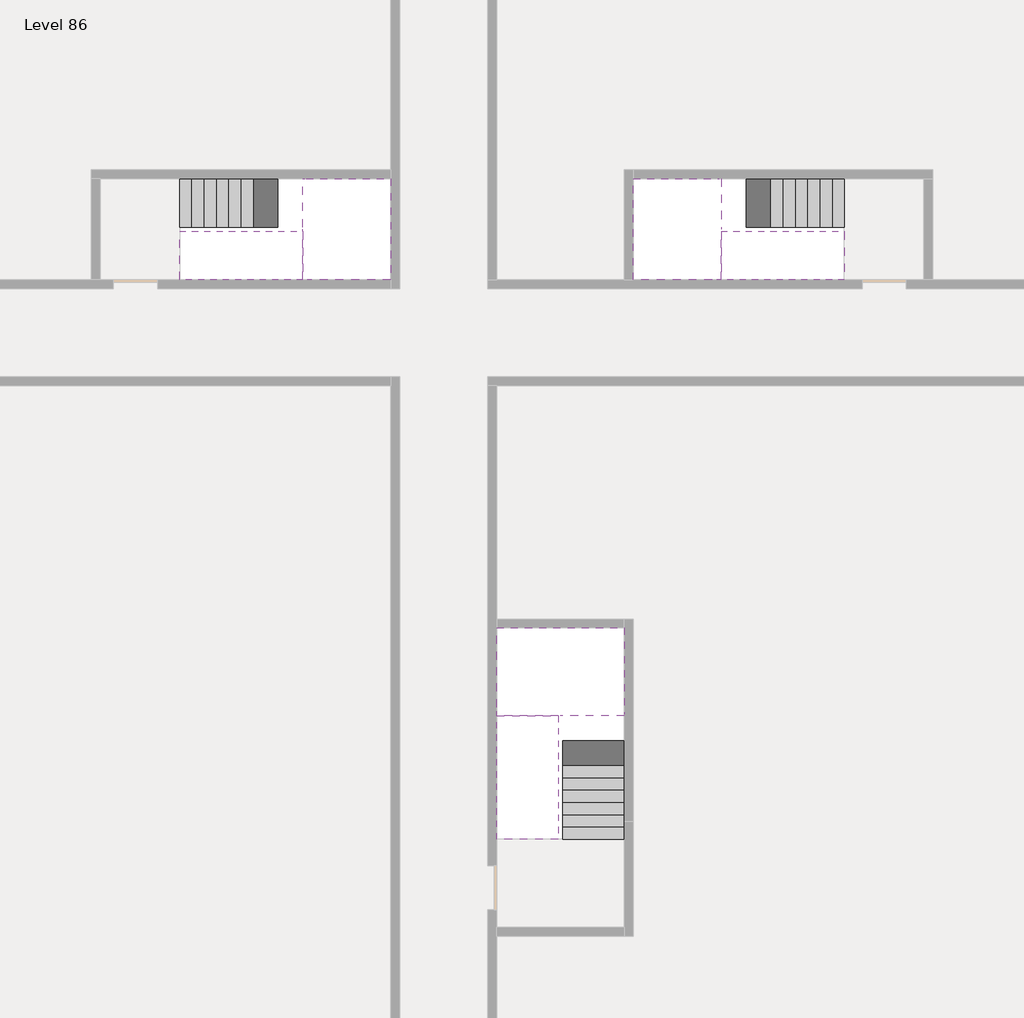
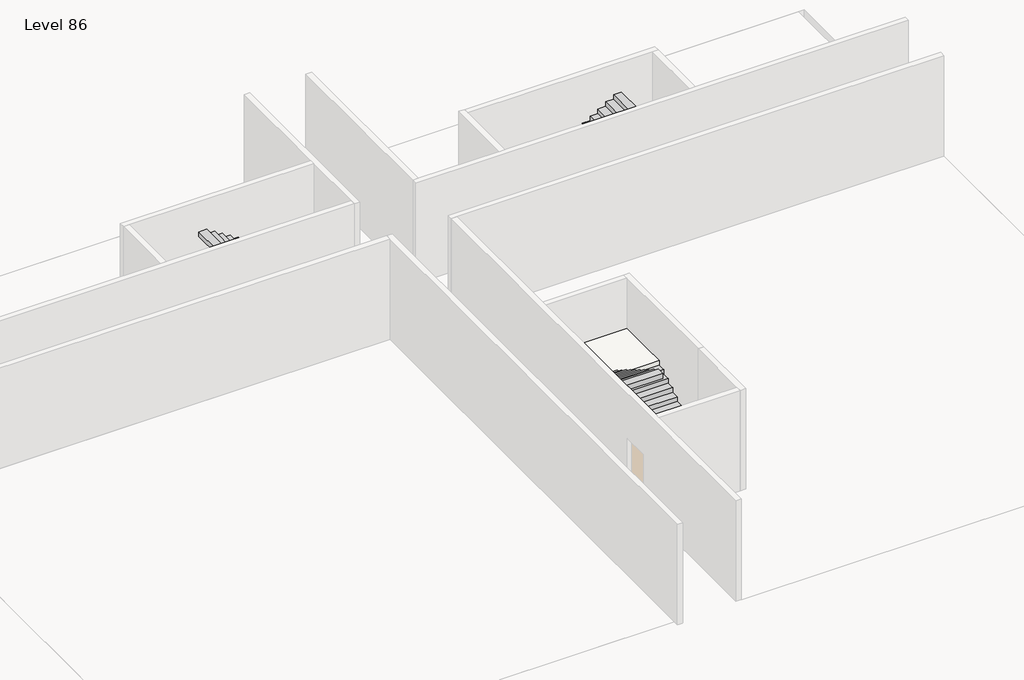
# One storey, part 2 of 2: 6 stair flights, 3 slabs.
"""IFC4 building model written with IfcOpenShell, lengths in millimetres."""

from ifc_helpers import new_model, si_unit, origin, place, context, project, spatial, faceted_brep, element, save

model = new_model("IFC4")

# Units and contexts
model_context = context("Model", 3, world=origin())
ifc_project = project(units=[si_unit("LENGTHUNIT", "METRE", prefix="MILLI")], contexts=[model_context])

# Site, building, storey
site = spatial("IfcSite", under=ifc_project)
building = spatial("IfcBuilding", under=site)
storey = spatial("IfcBuildingStorey", under=building, Name="Level 86", Elevation=323000.0)

# Slabs
placement = place(None, origin())
element("IfcSlab", 1, at=placement, inside=storey, context=model_context, shape_type="Brep", body=[
    faceted_brep([(26890.1058784, -40418.09644, 324900.0), (28290.1058784, -40418.09644, 324900.0), (28290.1058784, -40338.7100038, 324900.0), (28290.1058784, -38418.09644, 324900.0), (25390.1058784, -38418.09644, 324900.0), (25390.1058784, -40217.4828763, 324900.0), (25390.1058784, -40418.09644, 324900.0), (26790.1058784, -40418.09644, 324900.0), (26890.1058784, -40418.09644, 324600.0), (26890.1058784, -40418.09644, 324551.0278478), (28290.1058784, -40418.09644, 324551.0278478), (28290.1058784, -40418.09644, 324727.2727273), (28290.1058784, -40338.7100038, 324600.0), (28290.1058784, -38418.09644, 324600.0), (25390.1058784, -38418.09644, 324600.0), (25390.1058784, -40217.4828763, 324600.0), (25390.1058784, -40418.09644, 324723.7551205), (26790.1058784, -40418.09644, 324723.7551205), (26790.1058784, -40418.09644, 324600.0), (26790.1058784, -40217.4828763, 324600.0), (26890.1058784, -40338.7100038, 324600.0)], [[[0, 1, 2, 3, 4, 5, 6, 7]], [[1, 0, 8, 9, 10, 11]], [[1, 11, 10, 12, 13, 3, 2]], [[4, 3, 13, 14]], [[4, 14, 15, 16, 6, 5]], [[7, 6, 16, 17]], [[0, 7, 17, 18, 8]], [[18, 19, 15, 14, 13, 12, 20, 8]], [[19, 18, 17]], [[20, 12, 10, 9]], [[8, 20, 9]], [[15, 19, 17, 16]]]),
])
element("IfcSlab", 2, at=placement, inside=storey, context=model_context, shape_type="Brep", body=[
    faceted_brep([(20990.1058784, -28218.09644, 324900.0), (20990.1058784, -29318.09644, 324900.0), (20990.1058784, -29418.09644, 324900.0), (20990.1058784, -30518.09644, 324900.0), (21190.7194421, -30518.09644, 324900.0), (22990.1058784, -30518.09644, 324900.0), (22990.1058784, -28218.09644, 324900.0), (21069.4923146, -28218.09644, 324900.0), (20990.1058784, -28218.09644, 324727.2727273), (20990.1058784, -28218.09644, 324551.0278478), (20990.1058784, -29318.09644, 324551.0278478), (20990.1058784, -29318.09644, 324600.0), (20990.1058784, -29418.09644, 324600.0), (20990.1058784, -29418.09644, 324723.7551205), (20990.1058784, -30518.09644, 324723.7551205), (21190.7194421, -30518.09644, 324600.0), (22990.1058784, -30518.09644, 324600.0), (22990.1058784, -28218.09644, 324600.0), (21069.4923146, -28218.09644, 324600.0), (21190.7194421, -29418.09644, 324600.0), (21069.4923146, -29318.09644, 324600.0)], [[[0, 1, 2, 3, 4, 5, 6, 7]], [[1, 0, 8, 9, 10, 11]], [[2, 1, 11, 12, 13]], [[3, 2, 13, 14]], [[3, 14, 15, 16, 5, 4]], [[6, 5, 16, 17]], [[9, 8, 0, 7, 6, 17, 18]], [[19, 12, 11, 20, 18, 17, 16, 15]], [[12, 19, 13]], [[18, 20, 10, 9]], [[20, 11, 10]], [[19, 15, 14, 13]]]),
])
element("IfcSlab", 3, at=placement, inside=storey, context=model_context, shape_type="Brep", body=[
    faceted_brep([(30490.1058784, -29318.09644, 324900.0), (30490.1058784, -28218.09644, 324900.0), (30410.7194421, -28218.09644, 324900.0), (28490.1058784, -28218.09644, 324900.0), (28490.1058784, -30518.09644, 324900.0), (30289.4923146, -30518.09644, 324900.0), (30490.1058784, -30518.09644, 324900.0), (30490.1058784, -29418.09644, 324900.0), (30490.1058784, -29318.09644, 324600.0), (30490.1058784, -29318.09644, 324551.0278478), (30490.1058784, -28218.09644, 324551.0278478), (30490.1058784, -28218.09644, 324727.2727273), (30490.1058784, -29418.09644, 324723.7551205), (30490.1058784, -29418.09644, 324600.0), (30490.1058784, -30518.09644, 324723.7551205), (28490.1058784, -30518.09644, 324600.0), (30289.4923146, -30518.09644, 324600.0), (28490.1058784, -28218.09644, 324600.0), (30410.7194421, -28218.09644, 324600.0), (30289.4923146, -29418.09644, 324600.0), (30410.7194421, -29318.09644, 324600.0)], [[[0, 1, 2, 3, 4, 5, 6, 7]], [[1, 0, 8, 9, 10, 11]], [[0, 7, 12, 13, 8]], [[7, 6, 14, 12]], [[4, 15, 16, 14, 6, 5]], [[4, 3, 17, 15]], [[1, 11, 10, 18, 17, 3, 2]], [[13, 19, 16, 15, 17, 18, 20, 8]], [[20, 18, 10, 9]], [[8, 20, 9]], [[16, 19, 12, 14]], [[19, 13, 12]]]),
])

# Stair flights
element("IfcStairFlight", 4, at=placement, inside=storey, context=model_context, shape_type="Brep", body=[
    faceted_brep([(26890.1058784, -42938.09644, 323172.7272727), (26890.1058784, -43218.09644, 323172.7272727), (28290.1058784, -43218.09644, 323172.7272727), (28290.1058784, -42938.09644, 323172.7272727), (26890.1058784, -42938.09644, 323000.0), (26890.1058784, -43218.09644, 323000.0), (28290.1058784, -43218.09644, 323000.0), (28290.1058784, -42938.09644, 323000.0), (26890.1058784, -42658.09644, 323345.4545455), (26890.1058784, -42938.09644, 323345.4545455), (28290.1058784, -42938.09644, 323345.4545455), (28290.1058784, -42658.09644, 323345.4545455), (26890.1058784, -42658.09644, 323169.209666), (26890.1058784, -42932.3942143, 323000.0), (28290.1058784, -42932.3942143, 323000.0), (28290.1058784, -42658.09644, 323169.209666), (26890.1058784, -42378.09644, 323518.1818182), (26890.1058784, -42658.09644, 323518.1818182), (28290.1058784, -42658.09644, 323518.1818182), (28290.1058784, -42378.09644, 323518.1818182), (26890.1058784, -42378.09644, 323341.9369387), (28290.1058784, -42378.09644, 323341.9369387), (26890.1058784, -42098.09644, 323690.9090909), (26890.1058784, -42378.09644, 323690.9090909), (28290.1058784, -42378.09644, 323690.9090909), (28290.1058784, -42098.09644, 323690.9090909), (26890.1058784, -42098.09644, 323514.6642114), (28290.1058784, -42098.09644, 323514.6642114), (26890.1058784, -41818.09644, 323863.6363636), (26890.1058784, -42098.09644, 323863.6363636), (28290.1058784, -42098.09644, 323863.6363636), (28290.1058784, -41818.09644, 323863.6363636), (26890.1058784, -41818.09644, 323687.3914841), (28290.1058784, -41818.09644, 323687.3914841), (26890.1058784, -41538.09644, 324036.3636364), (26890.1058784, -41818.09644, 324036.3636364), (28290.1058784, -41818.09644, 324036.3636364), (28290.1058784, -41538.09644, 324036.3636364), (26890.1058784, -41538.09644, 323860.1187569), (28290.1058784, -41538.09644, 323860.1187569), (26890.1058784, -41258.09644, 324209.0909091), (26890.1058784, -41538.09644, 324209.0909091), (28290.1058784, -41538.09644, 324209.0909091), (28290.1058784, -41258.09644, 324209.0909091), (26890.1058784, -41258.09644, 324032.8460296), (28290.1058784, -41258.09644, 324032.8460296), (26890.1058784, -40978.09644, 324381.8181818), (26890.1058784, -41258.09644, 324381.8181818), (28290.1058784, -41258.09644, 324381.8181818), (28290.1058784, -40978.09644, 324381.8181818), (26890.1058784, -40978.09644, 324205.5733023), (28290.1058784, -40978.09644, 324205.5733023), (26890.1058784, -40698.09644, 324554.5454545), (26890.1058784, -40978.09644, 324554.5454545), (28290.1058784, -40978.09644, 324554.5454545), (28290.1058784, -40698.09644, 324554.5454545), (26890.1058784, -40698.09644, 324378.3005751), (28290.1058784, -40698.09644, 324378.3005751), (26890.1058784, -40418.09644, 324727.2727273), (26890.1058784, -40698.09644, 324727.2727273), (28290.1058784, -40698.09644, 324727.2727273), (28290.1058784, -40418.09644, 324727.2727273), (26890.1058784, -40418.09644, 324600.0), (26890.1058784, -40418.09644, 324551.0278478), (28290.1058784, -40418.09644, 324551.0278478)], [[[0, 1, 2, 3]], [[1, 0, 4, 5]], [[2, 1, 5, 6]], [[3, 2, 6, 7]], [[8, 9, 10, 11]], [[4, 0, 9, 8, 12, 13]], [[0, 3, 10, 9]], [[3, 7, 14, 15, 11, 10]], [[16, 17, 18, 19]], [[17, 16, 20, 12, 8]], [[8, 11, 18, 17]], [[19, 18, 11, 15, 21]], [[22, 23, 24, 25]], [[23, 22, 26, 20, 16]], [[16, 19, 24, 23]], [[25, 24, 19, 21, 27]], [[28, 29, 30, 31]], [[29, 28, 32, 26, 22]], [[22, 25, 30, 29]], [[31, 30, 25, 27, 33]], [[34, 35, 36, 37]], [[35, 34, 38, 32, 28]], [[28, 31, 36, 35]], [[37, 36, 31, 33, 39]], [[40, 41, 42, 43]], [[41, 40, 44, 38, 34]], [[34, 37, 42, 41]], [[43, 42, 37, 39, 45]], [[46, 47, 48, 49]], [[47, 46, 50, 44, 40]], [[40, 43, 48, 47]], [[49, 48, 43, 45, 51]], [[52, 53, 54, 55]], [[53, 52, 56, 50, 46]], [[46, 49, 54, 53]], [[55, 54, 49, 51, 57]], [[58, 59, 60, 61]], [[59, 58, 62, 63, 56, 52]], [[52, 55, 60, 59]], [[61, 60, 55, 57, 64]], [[58, 61, 64, 63, 62]], [[5, 4, 13, 14, 7, 6]], [[14, 13, 12, 20, 26, 32, 38, 44, 50, 56, 63, 64, 57, 51, 45, 39, 33, 27, 21, 15]]]),
])
element("IfcStairFlight", 5, at=placement, inside=storey, context=model_context, shape_type="Brep", body=[
    faceted_brep([(26790.1058784, -40698.09644, 325072.7272727), (26790.1058784, -40418.09644, 325072.7272727), (25390.1058784, -40418.09644, 325072.7272727), (25390.1058784, -40698.09644, 325072.7272727), (26790.1058784, -40698.09644, 324896.4823932), (26790.1058784, -40418.09644, 324723.7551205), (25390.1058784, -40418.09644, 324723.7551205), (25390.1058784, -40418.09644, 324900.0), (25390.1058784, -40698.09644, 324896.4823932), (26790.1058784, -40978.09644, 325245.4545455), (26790.1058784, -40698.09644, 325245.4545455), (25390.1058784, -40698.09644, 325245.4545455), (25390.1058784, -40978.09644, 325245.4545455), (26790.1058784, -40978.09644, 325069.209666), (25390.1058784, -40978.09644, 325069.209666), (26790.1058784, -41258.09644, 325418.1818182), (26790.1058784, -40978.09644, 325418.1818182), (25390.1058784, -40978.09644, 325418.1818182), (25390.1058784, -41258.09644, 325418.1818182), (26790.1058784, -41258.09644, 325241.9369387), (25390.1058784, -41258.09644, 325241.9369387), (26790.1058784, -41538.09644, 325590.9090909), (26790.1058784, -41258.09644, 325590.9090909), (25390.1058784, -41258.09644, 325590.9090909), (25390.1058784, -41538.09644, 325590.9090909), (26790.1058784, -41538.09644, 325414.6642114), (25390.1058784, -41538.09644, 325414.6642114), (26790.1058784, -41818.09644, 325763.6363636), (26790.1058784, -41538.09644, 325763.6363636), (25390.1058784, -41538.09644, 325763.6363636), (25390.1058784, -41818.09644, 325763.6363636), (26790.1058784, -41818.09644, 325587.3914841), (25390.1058784, -41818.09644, 325587.3914841), (26790.1058784, -42098.09644, 325936.3636364), (26790.1058784, -41818.09644, 325936.3636364), (25390.1058784, -41818.09644, 325936.3636364), (25390.1058784, -42098.09644, 325936.3636364), (26790.1058784, -42098.09644, 325760.1187569), (25390.1058784, -42098.09644, 325760.1187569), (26790.1058784, -42378.09644, 326109.0909091), (26790.1058784, -42098.09644, 326109.0909091), (25390.1058784, -42098.09644, 326109.0909091), (25390.1058784, -42378.09644, 326109.0909091), (26790.1058784, -42378.09644, 325932.8460296), (25390.1058784, -42378.09644, 325932.8460296), (26790.1058784, -42658.09644, 326281.8181818), (26790.1058784, -42378.09644, 326281.8181818), (25390.1058784, -42378.09644, 326281.8181818), (25390.1058784, -42658.09644, 326281.8181818), (26790.1058784, -42658.09644, 326105.5733023), (25390.1058784, -42658.09644, 326105.5733023), (26790.1058784, -42938.09644, 326454.5454545), (26790.1058784, -42658.09644, 326454.5454545), (25390.1058784, -42658.09644, 326454.5454545), (25390.1058784, -42938.09644, 326454.5454545), (26790.1058784, -42938.09644, 326278.3005751), (25390.1058784, -42938.09644, 326278.3005751), (26790.1058784, -43218.09644, 326627.2727273), (26790.1058784, -42938.09644, 326627.2727273), (25390.1058784, -42938.09644, 326627.2727273), (25390.1058784, -43218.09644, 326627.2727273), (26790.1058784, -43218.09644, 326451.0278478), (25390.1058784, -43218.09644, 326451.0278478)], [[[0, 1, 2, 3]], [[1, 0, 4, 5]], [[2, 1, 5, 6, 7]], [[3, 2, 7, 6, 8]], [[9, 10, 11, 12]], [[10, 9, 13, 4, 0]], [[11, 10, 0, 3]], [[12, 11, 3, 8, 14]], [[15, 16, 17, 18]], [[16, 15, 19, 13, 9]], [[17, 16, 9, 12]], [[18, 17, 12, 14, 20]], [[21, 22, 23, 24]], [[22, 21, 25, 19, 15]], [[23, 22, 15, 18]], [[24, 23, 18, 20, 26]], [[27, 28, 29, 30]], [[28, 27, 31, 25, 21]], [[29, 28, 21, 24]], [[30, 29, 24, 26, 32]], [[33, 34, 35, 36]], [[34, 33, 37, 31, 27]], [[35, 34, 27, 30]], [[36, 35, 30, 32, 38]], [[39, 40, 41, 42]], [[40, 39, 43, 37, 33]], [[41, 40, 33, 36]], [[42, 41, 36, 38, 44]], [[45, 46, 47, 48]], [[46, 45, 49, 43, 39]], [[47, 46, 39, 42]], [[48, 47, 42, 44, 50]], [[51, 52, 53, 54]], [[52, 51, 55, 49, 45]], [[53, 52, 45, 48]], [[54, 53, 48, 50, 56]], [[57, 58, 59, 60]], [[58, 57, 61, 55, 51]], [[59, 58, 51, 54]], [[60, 59, 54, 56, 62]], [[57, 60, 62, 61]], [[5, 4, 13, 19, 25, 31, 37, 43, 49, 55, 61, 62, 56, 50, 44, 38, 32, 26, 20, 14, 8, 6]]]),
])
element("IfcStairFlight", 6, at=placement, inside=storey, context=model_context, shape_type="Brep", body=[
    faceted_brep([(18470.1058784, -28218.09644, 323172.7272727), (18190.1058784, -28218.09644, 323172.7272727), (18190.1058784, -29318.09644, 323172.7272727), (18470.1058784, -29318.09644, 323172.7272727), (18470.1058784, -28218.09644, 323000.0), (18190.1058784, -28218.09644, 323000.0), (18190.1058784, -29318.09644, 323000.0), (18470.1058784, -29318.09644, 323000.0), (18750.1058784, -28218.09644, 323345.4545455), (18470.1058784, -28218.09644, 323345.4545455), (18470.1058784, -29318.09644, 323345.4545455), (18750.1058784, -29318.09644, 323345.4545455), (18750.1058784, -28218.09644, 323169.209666), (18475.8081041, -28218.09644, 323000.0), (18475.8081041, -29318.09644, 323000.0), (18750.1058784, -29318.09644, 323169.209666), (19030.1058784, -28218.09644, 323518.1818182), (18750.1058784, -28218.09644, 323518.1818182), (18750.1058784, -29318.09644, 323518.1818182), (19030.1058784, -29318.09644, 323518.1818182), (19030.1058784, -28218.09644, 323341.9369387), (19030.1058784, -29318.09644, 323341.9369387), (19310.1058784, -28218.09644, 323690.9090909), (19030.1058784, -28218.09644, 323690.9090909), (19030.1058784, -29318.09644, 323690.9090909), (19310.1058784, -29318.09644, 323690.9090909), (19310.1058784, -28218.09644, 323514.6642114), (19310.1058784, -29318.09644, 323514.6642114), (19590.1058784, -28218.09644, 323863.6363636), (19310.1058784, -28218.09644, 323863.6363636), (19310.1058784, -29318.09644, 323863.6363636), (19590.1058784, -29318.09644, 323863.6363636), (19590.1058784, -28218.09644, 323687.3914841), (19590.1058784, -29318.09644, 323687.3914841), (19870.1058784, -28218.09644, 324036.3636364), (19590.1058784, -28218.09644, 324036.3636364), (19590.1058784, -29318.09644, 324036.3636364), (19870.1058784, -29318.09644, 324036.3636364), (19870.1058784, -28218.09644, 323860.1187569), (19870.1058784, -29318.09644, 323860.1187569), (20150.1058784, -28218.09644, 324209.0909091), (19870.1058784, -28218.09644, 324209.0909091), (19870.1058784, -29318.09644, 324209.0909091), (20150.1058784, -29318.09644, 324209.0909091), (20150.1058784, -28218.09644, 324032.8460296), (20150.1058784, -29318.09644, 324032.8460296), (20430.1058784, -28218.09644, 324381.8181818), (20150.1058784, -28218.09644, 324381.8181818), (20150.1058784, -29318.09644, 324381.8181818), (20430.1058784, -29318.09644, 324381.8181818), (20430.1058784, -28218.09644, 324205.5733023), (20430.1058784, -29318.09644, 324205.5733023), (20710.1058784, -28218.09644, 324554.5454545), (20430.1058784, -28218.09644, 324554.5454545), (20430.1058784, -29318.09644, 324554.5454545), (20710.1058784, -29318.09644, 324554.5454545), (20710.1058784, -28218.09644, 324378.3005751), (20710.1058784, -29318.09644, 324378.3005751), (20990.1058784, -28218.09644, 324727.2727273), (20710.1058784, -28218.09644, 324727.2727273), (20710.1058784, -29318.09644, 324727.2727273), (20990.1058784, -29318.09644, 324727.2727273), (20990.1058784, -28218.09644, 324551.0278478), (20990.1058784, -29318.09644, 324551.0278478), (20990.1058784, -29318.09644, 324600.0)], [[[0, 1, 2, 3]], [[1, 0, 4, 5]], [[2, 1, 5, 6]], [[3, 2, 6, 7]], [[8, 9, 10, 11]], [[4, 0, 9, 8, 12, 13]], [[0, 3, 10, 9]], [[3, 7, 14, 15, 11, 10]], [[16, 17, 18, 19]], [[17, 16, 20, 12, 8]], [[8, 11, 18, 17]], [[19, 18, 11, 15, 21]], [[22, 23, 24, 25]], [[23, 22, 26, 20, 16]], [[16, 19, 24, 23]], [[25, 24, 19, 21, 27]], [[28, 29, 30, 31]], [[29, 28, 32, 26, 22]], [[22, 25, 30, 29]], [[31, 30, 25, 27, 33]], [[34, 35, 36, 37]], [[35, 34, 38, 32, 28]], [[28, 31, 36, 35]], [[37, 36, 31, 33, 39]], [[40, 41, 42, 43]], [[41, 40, 44, 38, 34]], [[34, 37, 42, 41]], [[43, 42, 37, 39, 45]], [[46, 47, 48, 49]], [[47, 46, 50, 44, 40]], [[40, 43, 48, 47]], [[49, 48, 43, 45, 51]], [[52, 53, 54, 55]], [[53, 52, 56, 50, 46]], [[46, 49, 54, 53]], [[55, 54, 49, 51, 57]], [[58, 59, 60, 61]], [[59, 58, 62, 56, 52]], [[52, 55, 60, 59]], [[61, 60, 55, 57, 63, 64]], [[58, 61, 64, 63, 62]], [[5, 4, 13, 14, 7, 6]], [[14, 13, 12, 20, 26, 32, 38, 44, 50, 56, 62, 63, 57, 51, 45, 39, 33, 27, 21, 15]]]),
])
element("IfcStairFlight", 7, at=placement, inside=storey, context=model_context, shape_type="Brep", body=[
    faceted_brep([(20710.1058784, -30518.09644, 325072.7272727), (20990.1058784, -30518.09644, 325072.7272727), (20990.1058784, -29418.09644, 325072.7272727), (20710.1058784, -29418.09644, 325072.7272727), (20710.1058784, -30518.09644, 324896.4823932), (20990.1058784, -30518.09644, 324723.7551205), (20990.1058784, -30518.09644, 324900.0), (20990.1058784, -29418.09644, 324723.7551205), (20710.1058784, -29418.09644, 324896.4823932), (20430.1058784, -30518.09644, 325245.4545455), (20710.1058784, -30518.09644, 325245.4545455), (20710.1058784, -29418.09644, 325245.4545455), (20430.1058784, -29418.09644, 325245.4545455), (20430.1058784, -30518.09644, 325069.209666), (20430.1058784, -29418.09644, 325069.209666), (20150.1058784, -30518.09644, 325418.1818182), (20430.1058784, -30518.09644, 325418.1818182), (20430.1058784, -29418.09644, 325418.1818182), (20150.1058784, -29418.09644, 325418.1818182), (20150.1058784, -30518.09644, 325241.9369387), (20150.1058784, -29418.09644, 325241.9369387), (19870.1058784, -30518.09644, 325590.9090909), (20150.1058784, -30518.09644, 325590.9090909), (20150.1058784, -29418.09644, 325590.9090909), (19870.1058784, -29418.09644, 325590.9090909), (19870.1058784, -30518.09644, 325414.6642114), (19870.1058784, -29418.09644, 325414.6642114), (19590.1058784, -30518.09644, 325763.6363636), (19870.1058784, -30518.09644, 325763.6363636), (19870.1058784, -29418.09644, 325763.6363636), (19590.1058784, -29418.09644, 325763.6363636), (19590.1058784, -30518.09644, 325587.3914841), (19590.1058784, -29418.09644, 325587.3914841), (19310.1058784, -30518.09644, 325936.3636364), (19590.1058784, -30518.09644, 325936.3636364), (19590.1058784, -29418.09644, 325936.3636364), (19310.1058784, -29418.09644, 325936.3636364), (19310.1058784, -30518.09644, 325760.1187569), (19310.1058784, -29418.09644, 325760.1187569), (19030.1058784, -30518.09644, 326109.0909091), (19310.1058784, -30518.09644, 326109.0909091), (19310.1058784, -29418.09644, 326109.0909091), (19030.1058784, -29418.09644, 326109.0909091), (19030.1058784, -30518.09644, 325932.8460296), (19030.1058784, -29418.09644, 325932.8460296), (18750.1058784, -30518.09644, 326281.8181818), (19030.1058784, -30518.09644, 326281.8181818), (19030.1058784, -29418.09644, 326281.8181818), (18750.1058784, -29418.09644, 326281.8181818), (18750.1058784, -30518.09644, 326105.5733023), (18750.1058784, -29418.09644, 326105.5733023), (18470.1058784, -30518.09644, 326454.5454545), (18750.1058784, -30518.09644, 326454.5454545), (18750.1058784, -29418.09644, 326454.5454545), (18470.1058784, -29418.09644, 326454.5454545), (18470.1058784, -30518.09644, 326278.3005751), (18470.1058784, -29418.09644, 326278.3005751), (18190.1058784, -30518.09644, 326627.2727273), (18470.1058784, -30518.09644, 326627.2727273), (18470.1058784, -29418.09644, 326627.2727273), (18190.1058784, -29418.09644, 326627.2727273), (18190.1058784, -30518.09644, 326451.0278478), (18190.1058784, -29418.09644, 326451.0278478)], [[[0, 1, 2, 3]], [[1, 0, 4, 5, 6]], [[2, 1, 6, 5, 7]], [[3, 2, 7, 8]], [[9, 10, 11, 12]], [[10, 9, 13, 4, 0]], [[11, 10, 0, 3]], [[12, 11, 3, 8, 14]], [[15, 16, 17, 18]], [[16, 15, 19, 13, 9]], [[17, 16, 9, 12]], [[18, 17, 12, 14, 20]], [[21, 22, 23, 24]], [[22, 21, 25, 19, 15]], [[23, 22, 15, 18]], [[24, 23, 18, 20, 26]], [[27, 28, 29, 30]], [[28, 27, 31, 25, 21]], [[29, 28, 21, 24]], [[30, 29, 24, 26, 32]], [[33, 34, 35, 36]], [[34, 33, 37, 31, 27]], [[35, 34, 27, 30]], [[36, 35, 30, 32, 38]], [[39, 40, 41, 42]], [[40, 39, 43, 37, 33]], [[41, 40, 33, 36]], [[42, 41, 36, 38, 44]], [[45, 46, 47, 48]], [[46, 45, 49, 43, 39]], [[47, 46, 39, 42]], [[48, 47, 42, 44, 50]], [[51, 52, 53, 54]], [[52, 51, 55, 49, 45]], [[53, 52, 45, 48]], [[54, 53, 48, 50, 56]], [[57, 58, 59, 60]], [[58, 57, 61, 55, 51]], [[59, 58, 51, 54]], [[60, 59, 54, 56, 62]], [[57, 60, 62, 61]], [[5, 4, 13, 19, 25, 31, 37, 43, 49, 55, 61, 62, 56, 50, 44, 38, 32, 26, 20, 14, 8, 7]]]),
])
element("IfcStairFlight", 8, at=placement, inside=storey, context=model_context, shape_type="Brep", body=[
    faceted_brep([(33010.1058784, -29318.09644, 323172.7272727), (33290.1058784, -29318.09644, 323172.7272727), (33290.1058784, -28218.09644, 323172.7272727), (33010.1058784, -28218.09644, 323172.7272727), (33290.1058784, -28218.09644, 323000.0), (33010.1058784, -28218.09644, 323000.0), (33290.1058784, -29318.09644, 323000.0), (33010.1058784, -29318.09644, 323000.0), (32730.1058784, -29318.09644, 323345.4545455), (33010.1058784, -29318.09644, 323345.4545455), (33010.1058784, -28218.09644, 323345.4545455), (32730.1058784, -28218.09644, 323345.4545455), (33004.4036527, -28218.09644, 323000.0), (32730.1058784, -28218.09644, 323169.209666), (32730.1058784, -29318.09644, 323169.209666), (33004.4036527, -29318.09644, 323000.0), (32450.1058784, -29318.09644, 323518.1818182), (32730.1058784, -29318.09644, 323518.1818182), (32730.1058784, -28218.09644, 323518.1818182), (32450.1058784, -28218.09644, 323518.1818182), (32450.1058784, -28218.09644, 323341.9369387), (32450.1058784, -29318.09644, 323341.9369387), (32170.1058784, -29318.09644, 323690.9090909), (32450.1058784, -29318.09644, 323690.9090909), (32450.1058784, -28218.09644, 323690.9090909), (32170.1058784, -28218.09644, 323690.9090909), (32170.1058784, -28218.09644, 323514.6642114), (32170.1058784, -29318.09644, 323514.6642114), (31890.1058784, -29318.09644, 323863.6363636), (32170.1058784, -29318.09644, 323863.6363636), (32170.1058784, -28218.09644, 323863.6363636), (31890.1058784, -28218.09644, 323863.6363636), (31890.1058784, -28218.09644, 323687.3914841), (31890.1058784, -29318.09644, 323687.3914841), (31610.1058784, -29318.09644, 324036.3636364), (31890.1058784, -29318.09644, 324036.3636364), (31890.1058784, -28218.09644, 324036.3636364), (31610.1058784, -28218.09644, 324036.3636364), (31610.1058784, -28218.09644, 323860.1187569), (31610.1058784, -29318.09644, 323860.1187569), (31330.1058784, -29318.09644, 324209.0909091), (31610.1058784, -29318.09644, 324209.0909091), (31610.1058784, -28218.09644, 324209.0909091), (31330.1058784, -28218.09644, 324209.0909091), (31330.1058784, -28218.09644, 324032.8460296), (31330.1058784, -29318.09644, 324032.8460296), (31050.1058784, -29318.09644, 324381.8181818), (31330.1058784, -29318.09644, 324381.8181818), (31330.1058784, -28218.09644, 324381.8181818), (31050.1058784, -28218.09644, 324381.8181818), (31050.1058784, -28218.09644, 324205.5733023), (31050.1058784, -29318.09644, 324205.5733023), (30770.1058784, -29318.09644, 324554.5454545), (31050.1058784, -29318.09644, 324554.5454545), (31050.1058784, -28218.09644, 324554.5454545), (30770.1058784, -28218.09644, 324554.5454545), (30770.1058784, -28218.09644, 324378.3005751), (30770.1058784, -29318.09644, 324378.3005751), (30490.1058784, -29318.09644, 324727.2727273), (30770.1058784, -29318.09644, 324727.2727273), (30770.1058784, -28218.09644, 324727.2727273), (30490.1058784, -28218.09644, 324727.2727273), (30490.1058784, -28218.09644, 324551.0278478), (30490.1058784, -29318.09644, 324600.0), (30490.1058784, -29318.09644, 324551.0278478)], [[[0, 1, 2, 3]], [[3, 2, 4, 5]], [[2, 1, 6, 4]], [[1, 0, 7, 6]], [[8, 9, 10, 11]], [[3, 5, 12, 13, 11, 10]], [[0, 3, 10, 9]], [[7, 0, 9, 8, 14, 15]], [[16, 17, 18, 19]], [[19, 18, 11, 13, 20]], [[8, 11, 18, 17]], [[17, 16, 21, 14, 8]], [[22, 23, 24, 25]], [[25, 24, 19, 20, 26]], [[16, 19, 24, 23]], [[23, 22, 27, 21, 16]], [[28, 29, 30, 31]], [[31, 30, 25, 26, 32]], [[22, 25, 30, 29]], [[29, 28, 33, 27, 22]], [[34, 35, 36, 37]], [[37, 36, 31, 32, 38]], [[28, 31, 36, 35]], [[35, 34, 39, 33, 28]], [[40, 41, 42, 43]], [[43, 42, 37, 38, 44]], [[34, 37, 42, 41]], [[41, 40, 45, 39, 34]], [[46, 47, 48, 49]], [[49, 48, 43, 44, 50]], [[40, 43, 48, 47]], [[47, 46, 51, 45, 40]], [[52, 53, 54, 55]], [[55, 54, 49, 50, 56]], [[46, 49, 54, 53]], [[53, 52, 57, 51, 46]], [[58, 59, 60, 61]], [[61, 60, 55, 56, 62]], [[52, 55, 60, 59]], [[59, 58, 63, 64, 57, 52]], [[58, 61, 62, 64, 63]], [[6, 7, 15, 12, 5, 4]], [[12, 15, 14, 21, 27, 33, 39, 45, 51, 57, 64, 62, 56, 50, 44, 38, 32, 26, 20, 13]]]),
])
element("IfcStairFlight", 9, at=placement, inside=storey, context=model_context, shape_type="Brep", body=[
    faceted_brep([(30770.1058784, -29418.09644, 325072.7272727), (30490.1058784, -29418.09644, 325072.7272727), (30490.1058784, -30518.09644, 325072.7272727), (30770.1058784, -30518.09644, 325072.7272727), (30490.1058784, -30518.09644, 324900.0), (30490.1058784, -30518.09644, 324723.7551205), (30770.1058784, -30518.09644, 324896.4823932), (30490.1058784, -29418.09644, 324723.7551205), (30770.1058784, -29418.09644, 324896.4823932), (31050.1058784, -29418.09644, 325245.4545455), (30770.1058784, -29418.09644, 325245.4545455), (30770.1058784, -30518.09644, 325245.4545455), (31050.1058784, -30518.09644, 325245.4545455), (31050.1058784, -30518.09644, 325069.209666), (31050.1058784, -29418.09644, 325069.209666), (31330.1058784, -29418.09644, 325418.1818182), (31050.1058784, -29418.09644, 325418.1818182), (31050.1058784, -30518.09644, 325418.1818182), (31330.1058784, -30518.09644, 325418.1818182), (31330.1058784, -30518.09644, 325241.9369387), (31330.1058784, -29418.09644, 325241.9369387), (31610.1058784, -29418.09644, 325590.9090909), (31330.1058784, -29418.09644, 325590.9090909), (31330.1058784, -30518.09644, 325590.9090909), (31610.1058784, -30518.09644, 325590.9090909), (31610.1058784, -30518.09644, 325414.6642114), (31610.1058784, -29418.09644, 325414.6642114), (31890.1058784, -29418.09644, 325763.6363636), (31610.1058784, -29418.09644, 325763.6363636), (31610.1058784, -30518.09644, 325763.6363636), (31890.1058784, -30518.09644, 325763.6363636), (31890.1058784, -30518.09644, 325587.3914841), (31890.1058784, -29418.09644, 325587.3914841), (32170.1058784, -29418.09644, 325936.3636364), (31890.1058784, -29418.09644, 325936.3636364), (31890.1058784, -30518.09644, 325936.3636364), (32170.1058784, -30518.09644, 325936.3636364), (32170.1058784, -30518.09644, 325760.1187569), (32170.1058784, -29418.09644, 325760.1187569), (32450.1058784, -29418.09644, 326109.0909091), (32170.1058784, -29418.09644, 326109.0909091), (32170.1058784, -30518.09644, 326109.0909091), (32450.1058784, -30518.09644, 326109.0909091), (32450.1058784, -30518.09644, 325932.8460296), (32450.1058784, -29418.09644, 325932.8460296), (32730.1058784, -29418.09644, 326281.8181818), (32450.1058784, -29418.09644, 326281.8181818), (32450.1058784, -30518.09644, 326281.8181818), (32730.1058784, -30518.09644, 326281.8181818), (32730.1058784, -30518.09644, 326105.5733023), (32730.1058784, -29418.09644, 326105.5733023), (33010.1058784, -29418.09644, 326454.5454545), (32730.1058784, -29418.09644, 326454.5454545), (32730.1058784, -30518.09644, 326454.5454545), (33010.1058784, -30518.09644, 326454.5454545), (33010.1058784, -30518.09644, 326278.3005751), (33010.1058784, -29418.09644, 326278.3005751), (33290.1058784, -29418.09644, 326627.2727273), (33010.1058784, -29418.09644, 326627.2727273), (33010.1058784, -30518.09644, 326627.2727273), (33290.1058784, -30518.09644, 326627.2727273), (33290.1058784, -30518.09644, 326451.0278478), (33290.1058784, -29418.09644, 326451.0278478)], [[[0, 1, 2, 3]], [[3, 2, 4, 5, 6]], [[2, 1, 7, 5, 4]], [[1, 0, 8, 7]], [[9, 10, 11, 12]], [[12, 11, 3, 6, 13]], [[11, 10, 0, 3]], [[10, 9, 14, 8, 0]], [[15, 16, 17, 18]], [[18, 17, 12, 13, 19]], [[17, 16, 9, 12]], [[16, 15, 20, 14, 9]], [[21, 22, 23, 24]], [[24, 23, 18, 19, 25]], [[23, 22, 15, 18]], [[22, 21, 26, 20, 15]], [[27, 28, 29, 30]], [[30, 29, 24, 25, 31]], [[29, 28, 21, 24]], [[28, 27, 32, 26, 21]], [[33, 34, 35, 36]], [[36, 35, 30, 31, 37]], [[35, 34, 27, 30]], [[34, 33, 38, 32, 27]], [[39, 40, 41, 42]], [[42, 41, 36, 37, 43]], [[41, 40, 33, 36]], [[40, 39, 44, 38, 33]], [[45, 46, 47, 48]], [[48, 47, 42, 43, 49]], [[47, 46, 39, 42]], [[46, 45, 50, 44, 39]], [[51, 52, 53, 54]], [[54, 53, 48, 49, 55]], [[53, 52, 45, 48]], [[52, 51, 56, 50, 45]], [[57, 58, 59, 60]], [[60, 59, 54, 55, 61]], [[59, 58, 51, 54]], [[58, 57, 62, 56, 51]], [[57, 60, 61, 62]], [[7, 8, 14, 20, 26, 32, 38, 44, 50, 56, 62, 61, 55, 49, 43, 37, 31, 25, 19, 13, 6, 5]]]),
])

save(model, "model.ifc")
